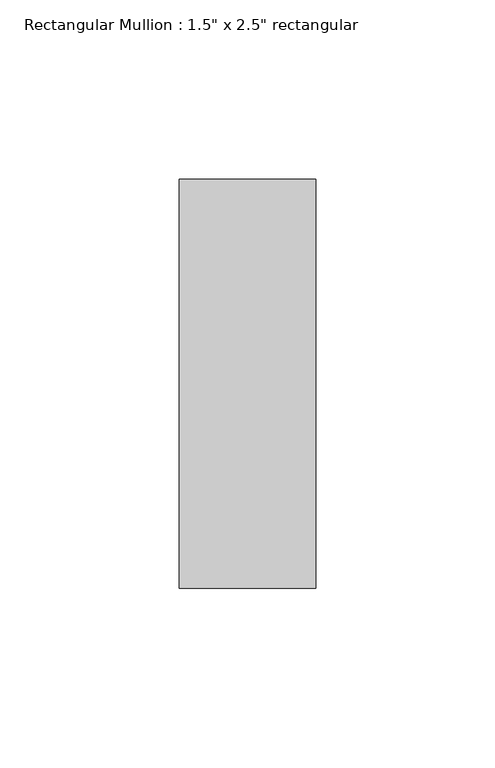
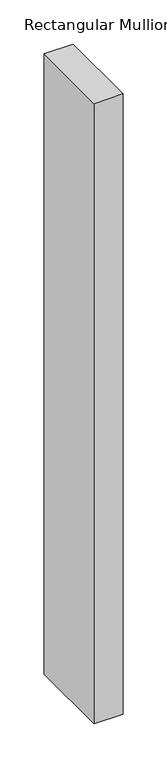
"""IFC4 building model written with IfcOpenShell, lengths in millimetres: member geometry."""

from ifc_helpers import new_model, si_unit, frame, origin, place, context, project, spatial, polyline, outline, extrude, source, transform, mapped, element, save


def member_30be388b(model_context):
    return source(origin(), model_context, "Body", "SweptSolid", [
        extrude(outline(polyline([(0.0, 57.15), (0.0, -57.15), (-38.1, -57.15), (-38.1, 57.15), (0.0, 57.15)])), frame((0.0, 0.0, -860.425), z_axis=(0.0, 0.0, 1.0), x_axis=(1.0, 0.0, 0.0)), (0.0, 0.0, 1.0), 860.425),
    ])


if __name__ == "__main__":
    model = new_model("IFC4")
    model_context = context("Model", 3, world=origin())
    ifc_project = project(units=[si_unit("LENGTHUNIT", "METRE", prefix="MILLI")], contexts=[model_context])
    site = spatial("IfcSite", under=ifc_project)
    building = spatial("IfcBuilding", under=site)
    placement = place(None, origin())
    member_shape = member_30be388b(model_context)
    element("IfcMember", 1, ObjectType="Rectangular Mullion : 1.5\" x 2.5\" rectangular", at=placement, inside=building, context=model_context, shape_type="MappedRepresentation", body=[
        mapped(member_shape, transform((0.0, 0.0, 0.0), x_axis=(1.0, 0.0, 0.0), y_axis=(0.0, 1.0, 0.0), z_axis=(0.0, 0.0, 1.0))),
    ])
    save(model, "model.ifc")
